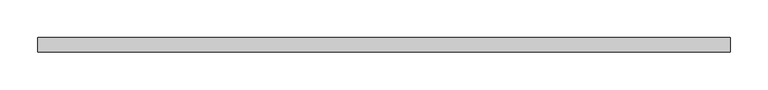
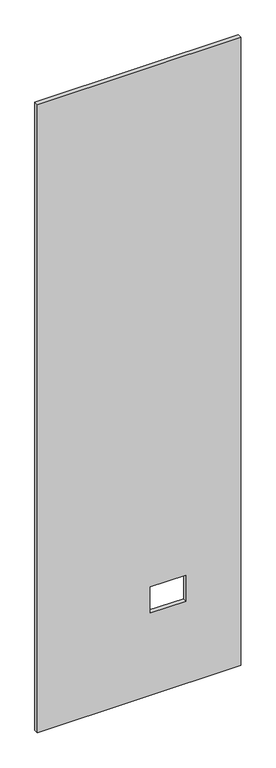
"""IFC4 building model written with IfcOpenShell, lengths in millimetres: proxy geometry."""

from ifc_helpers import new_model, si_unit, frame, origin, place, context, project, spatial, polyline, outline, extrude, source, transform, mapped, element, save


def specialty_equipment_86f569c2(model_context):
    return source(origin(), model_context, "Body", "SweptSolid", [
        extrude(outline(polyline([(2999.5368001, 458.4954), (2999.5368001, -458.4954), (3.175, -458.4954), (3.175, 458.4954), (2999.5368001, 458.4954)]), holes=[polyline([(518.9474, 211.8868), (395.4526, 211.8868), (395.4526, 51.3588), (518.9474, 51.3588), (518.9474, 211.8868)])]), frame((0.0, -9.525, 0.0), z_axis=(0.0, 1.0, 0.0), x_axis=(0.0, 0.0, 1.0)), (0.0, 0.0, 1.0), 19.05),
    ])


if __name__ == "__main__":
    model = new_model("IFC4")
    model_context = context("Model", 3, world=origin())
    ifc_project = project(units=[si_unit("LENGTHUNIT", "METRE", prefix="MILLI")], contexts=[model_context])
    site = spatial("IfcSite", under=ifc_project)
    building = spatial("IfcBuilding", under=site)
    placement = place(None, origin())
    specialty_equipment_shape = specialty_equipment_86f569c2(model_context)
    element("IfcBuildingElementProxy", 1, Name="Specialty Equipment", at=placement, inside=building, context=model_context, shape_type="MappedRepresentation", body=[
        mapped(specialty_equipment_shape, transform((0.0, 0.0, 0.0), x_axis=(1.0, 0.0, 0.0), y_axis=(0.0, 1.0, 0.0), z_axis=(0.0, 0.0, 1.0))),
    ])
    save(model, "model.ifc")
